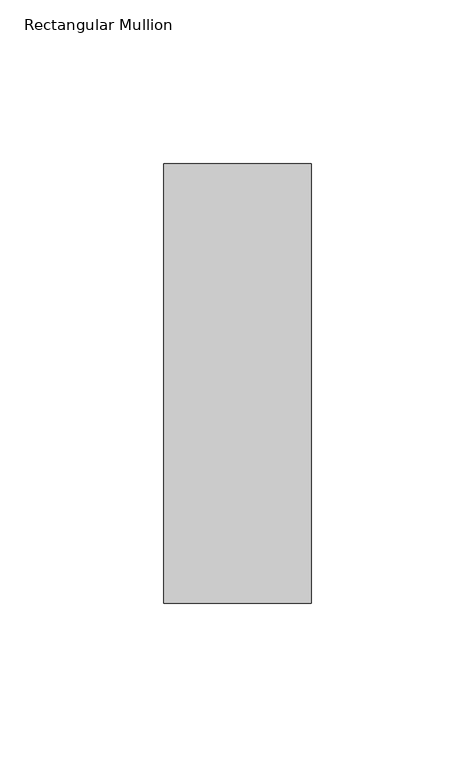
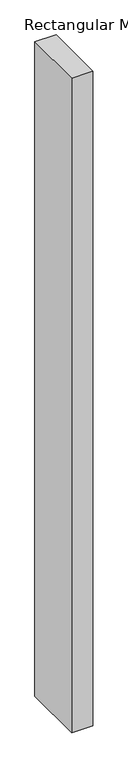
"""IFC4 building model written with IfcOpenShell, lengths in millimetres: member geometry, Rectangular Mullion."""

import ifcopenshell
import ifcopenshell.guid

model = None  # the IFC model being written
_history = None  # IfcOwnerHistory: only IFC2X3 demands one
_inside = {}  # id of a spatial element -> (the spatial element, [elements in it])
_under = {}  # id of a project, library or spatial element -> (it, [spatial elements below it])
_declared = {}  # id of a project -> (the project, [libraries it declares])
_typed = {}  # id of a type object -> (the type object, [elements of that type])
_made_of = {}  # id of a material, layer set ... -> (it, [elements and type objects made of it])


def new_model(schema):
    """Start an empty IFC model of exactly this schema.

    Asked for "IFC4X3", IfcOpenShell would pick the latest addendum, in which some entities
    have other attributes; the version numbers below select the first issue.
    IFC2X3 requires an IfcOwnerHistory on every rooted entity: one is made here for all.
    """
    global model, _history
    if schema == "IFC4X3":
        model = ifcopenshell.file(schema_version=(4, 3, 0, 0))
    else:
        model = ifcopenshell.file(schema=schema)
    _inside.clear()
    _under.clear()
    _declared.clear()
    _typed.clear()
    _made_of.clear()
    _history = None
    if model.schema == "IFC2X3":
        org = make("IfcOrganization", Name="unknown")
        user = make(
            "IfcPersonAndOrganization",
            ThePerson=make("IfcPerson", FamilyName="unknown"),
            TheOrganization=org,
        )
        app = make(
            "IfcApplication",
            ApplicationDeveloper=org,
            Version="unknown",
            ApplicationFullName="unknown",
            ApplicationIdentifier="unknown",
        )
        _history = make(
            "IfcOwnerHistory",
            OwningUser=user,
            OwningApplication=app,
            ChangeAction="ADDED",
            CreationDate=0,
        )
    return model


def make(cls, **values):
    """One entity of the class cls with the attributes given. An attribute that is None is left unset."""
    return model.create_entity(
        cls, **{name: value for name, value in values.items() if value is not None}
    )


def rooted(cls, **values):
    """An entity with a GlobalId (a new one), such as an element, a storey or a relation."""
    return make(cls, GlobalId=ifcopenshell.guid.new(), OwnerHistory=_history, **values)


def si_unit(unit_type, name, prefix=None):
    """IfcSIUnit, for example si_unit("LENGTHUNIT", "METRE", prefix="MILLI")."""
    return make("IfcSIUnit", UnitType=unit_type, Prefix=prefix, Name=name)


def assignment(units):
    """IfcUnitAssignment: the units of a project."""
    return None if units is None else make("IfcUnitAssignment", Units=units)


def point(xyz):
    """IfcCartesianPoint."""
    return None if xyz is None else make("IfcCartesianPoint", Coordinates=xyz)


def direction(xyz):
    """IfcDirection."""
    return None if xyz is None else make("IfcDirection", DirectionRatios=xyz)


def frame(location, z_axis=None, x_axis=None):
    """IfcAxis2Placement3D, a coordinate frame: its origin and axes. An axis left out is left unset."""
    return make(
        "IfcAxis2Placement3D",
        Location=point(location),
        Axis=direction(z_axis),
        RefDirection=direction(x_axis),
    )


def origin():
    """The frame at (0, 0, 0) with its axes left unset."""
    return frame((0.0, 0.0, 0.0))


def place(relative_to, where):
    """IfcLocalPlacement: puts the frame where relative to a parent placement (None: the world)."""
    return make(
        "IfcLocalPlacement", PlacementRelTo=relative_to, RelativePlacement=where
    )


def context(
    kind, dimensions, precision=None, world=None, true_north=None, identifier=None
):
    """IfcGeometricRepresentationContext, for example the 3D "Model" context."""
    return make(
        "IfcGeometricRepresentationContext",
        ContextIdentifier=identifier,
        ContextType=kind,
        CoordinateSpaceDimension=dimensions,
        Precision=precision,
        WorldCoordinateSystem=world,
        TrueNorth=true_north,
    )


def project(units=None, contexts=None):
    """IfcProject with its units and contexts."""
    return rooted(
        "IfcProject",
        Name="project",
        RepresentationContexts=contexts,
        UnitsInContext=assignment(units),
    )


def spatial(cls, under=None, at=None, **own):
    """A site, building, storey or space (cls), placed at a placement, below another one or the project."""
    s = rooted(cls, ObjectPlacement=at, **own)
    if under is not None:
        _under.setdefault(under.id(), (under, []))[1].append(s)
    return s


def polyline(points):
    """IfcPolyline through the points."""
    return make("IfcPolyline", Points=[point(p) for p in points])


def outline(outer, holes=None, kind="AREA"):
    """IfcArbitraryClosedProfileDef: a profile drawn as a closed curve; with holes, ...WithVoids."""
    if holes is None:
        return make("IfcArbitraryClosedProfileDef", ProfileType=kind, OuterCurve=outer)
    return make(
        "IfcArbitraryProfileDefWithVoids",
        ProfileType=kind,
        OuterCurve=outer,
        InnerCurves=holes,
    )


def extrude(swept, where, along, depth):
    """IfcExtrudedAreaSolid: the profile swept, set in the frame where, extruded along a direction by depth."""
    return make(
        "IfcExtrudedAreaSolid",
        SweptArea=swept,
        Position=where,
        ExtrudedDirection=direction(along),
        Depth=depth,
    )


def shape(context_of_items, identifier, shape_type, items):
    """IfcShapeRepresentation: the items that make up one representation, for example the "Body"."""
    return make(
        "IfcShapeRepresentation",
        ContextOfItems=context_of_items,
        RepresentationIdentifier=identifier,
        RepresentationType=shape_type,
        Items=items,
    )


def source(mapping_origin, context_of_items, identifier, shape_type, items):
    """IfcRepresentationMap: a shape defined once, which mapped items show again and again."""
    return make(
        "IfcRepresentationMap",
        MappingOrigin=mapping_origin,
        MappedRepresentation=shape(context_of_items, identifier, shape_type, items),
    )


def transform(
    local_origin,
    x_axis=None,
    y_axis=None,
    z_axis=None,
    scale=None,
    scale2=None,
    scale3=None,
    uniform=True,
):
    """IfcCartesianTransformationOperator3D, or its non-uniform kind. x_axis, y_axis, z_axis: its Axis1, 2, 3."""
    if uniform:
        return make(
            "IfcCartesianTransformationOperator3D",
            Axis1=direction(x_axis),
            Axis2=direction(y_axis),
            LocalOrigin=point(local_origin),
            Scale=scale,
            Axis3=direction(z_axis),
        )
    return make(
        "IfcCartesianTransformationOperator3DnonUniform",
        Axis1=direction(x_axis),
        Axis2=direction(y_axis),
        LocalOrigin=point(local_origin),
        Scale=scale,
        Axis3=direction(z_axis),
        Scale2=scale2,
        Scale3=scale3,
    )


def mapped(mapping_source, mapping_target):
    """IfcMappedItem: shows the shape of a source again, moved by a transform."""
    return make(
        "IfcMappedItem", MappingSource=mapping_source, MappingTarget=mapping_target
    )


def made_of(thing, what):
    """Note that an element or type object is made of a material, layer set ...; save() writes the relation."""
    if what is not None:
        _made_of.setdefault(what.id(), (what, []))[1].append(thing)
    return thing


def element(
    cls,
    number,
    at=None,
    inside=None,
    cuts=None,
    type_object=None,
    material=None,
    context=None,
    identifier="Body",
    shape_type=None,
    held_by="IfcProductDefinitionShape",
    body=None,
    shapes=None,
    **own,
):
    """One element of the class cls, such as IfcWall. Its Tag is "e" and its number.

    at: its placement. inside: the storey or other place that contains it. cuts: it is an
    opening in that element (IfcRelVoidsElement). A single representation is given by context,
    identifier, shape_type and body (its items); several are given by shapes. held_by: the class
    of the entity that holds the representations. save() writes the other relations.
    """
    e = rooted(cls, Tag="e%d" % number, ObjectPlacement=at, **own)
    if body is not None:
        shapes = [shape(context, identifier, shape_type, body)]
    if shapes is not None:
        e.Representation = make(held_by, Representations=shapes)
    if inside is not None:
        _inside.setdefault(inside.id(), (inside, []))[1].append(e)
    if cuts is not None:
        rooted(
            "IfcRelVoidsElement", RelatingBuildingElement=cuts, RelatedOpeningElement=e
        )
    if type_object is not None:
        _typed.setdefault(type_object.id(), (type_object, []))[1].append(e)
    return made_of(e, material)


def aggregate(whole, parts):
    """IfcRelAggregates: a whole, such as a stair, and the parts it consists of."""
    return rooted("IfcRelAggregates", RelatingObject=whole, RelatedObjects=parts)


def save(model, path):
    """Write the relations noted so far, then the file.

    IfcRelAggregates (storeys below a building ...), IfcRelContainedInSpatialStructure (elements
    in a storey), IfcRelDefinesByType, IfcRelAssociatesMaterial and IfcRelDeclares: one each for
    every whole, place, type object, material and project.
    """
    for whole, parts in _under.values():
        aggregate(whole, parts)
    for where, things in _inside.values():
        rooted(
            "IfcRelContainedInSpatialStructure",
            RelatedElements=things,
            RelatingStructure=where,
        )
    for kind, things in _typed.values():
        rooted("IfcRelDefinesByType", RelatedObjects=things, RelatingType=kind)
    for what, things in _made_of.values():
        rooted("IfcRelAssociatesMaterial", RelatedObjects=things, RelatingMaterial=what)
    for by, libraries in _declared.values():
        rooted("IfcRelDeclares", RelatingContext=by, RelatedDefinitions=libraries)
    model.write(path)


def rectangular_mullion_648ce80f(model_context):
    return source(origin(), model_context, "Body", "SweptSolid", [
        extrude(outline(polyline([(22.5, 82.60625), (22.5, -51.60625), (-22.5, -51.60625), (-22.5, 82.60625), (22.5, 82.60625)])), frame((0.0, 0.0, -1461.8930608), z_axis=(0.0, 0.0, 1.0), x_axis=(1.0, 0.0, 0.0)), (0.0, 0.0, 1.0), 1461.8930608),
    ])


if __name__ == "__main__":
    model = new_model("IFC4")
    model_context = context("Model", 3, world=origin())
    ifc_project = project(units=[si_unit("LENGTHUNIT", "METRE", prefix="MILLI")], contexts=[model_context])
    site = spatial("IfcSite", under=ifc_project)
    building = spatial("IfcBuilding", under=site)
    placement = place(None, origin())
    rectangular_mullion_shape = rectangular_mullion_648ce80f(model_context)
    element("IfcMember", 1, ObjectType="Rectangular Mullion", at=placement, inside=building, context=model_context, shape_type="MappedRepresentation", body=[
        mapped(rectangular_mullion_shape, transform((0.0, 0.0, 0.0), x_axis=(1.0, 0.0, 0.0), y_axis=(0.0, 1.0, 0.0), z_axis=(0.0, 0.0, 1.0))),
    ])
    save(model, "model.ifc")
